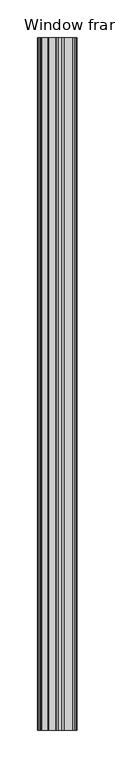
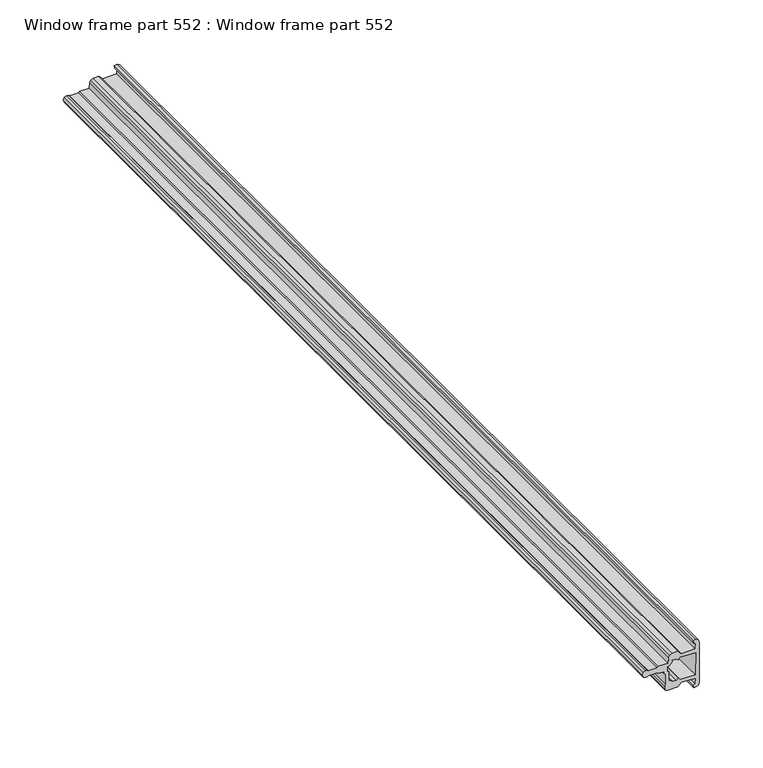
"""IFC4 building model written with IfcOpenShell, lengths in millimetres: proxy geometry, Window frame part 552 : Window frame part 552."""

import ifcopenshell
import ifcopenshell.guid

model = None  # the IFC model being written
_history = None  # IfcOwnerHistory: only IFC2X3 demands one
_inside = {}  # id of a spatial element -> (the spatial element, [elements in it])
_under = {}  # id of a project, library or spatial element -> (it, [spatial elements below it])
_declared = {}  # id of a project -> (the project, [libraries it declares])
_typed = {}  # id of a type object -> (the type object, [elements of that type])
_made_of = {}  # id of a material, layer set ... -> (it, [elements and type objects made of it])


def new_model(schema):
    """Start an empty IFC model of exactly this schema.

    Asked for "IFC4X3", IfcOpenShell would pick the latest addendum, in which some entities
    have other attributes; the version numbers below select the first issue.
    IFC2X3 requires an IfcOwnerHistory on every rooted entity: one is made here for all.
    """
    global model, _history
    if schema == "IFC4X3":
        model = ifcopenshell.file(schema_version=(4, 3, 0, 0))
    else:
        model = ifcopenshell.file(schema=schema)
    _inside.clear()
    _under.clear()
    _declared.clear()
    _typed.clear()
    _made_of.clear()
    _history = None
    if model.schema == "IFC2X3":
        org = make("IfcOrganization", Name="unknown")
        user = make(
            "IfcPersonAndOrganization",
            ThePerson=make("IfcPerson", FamilyName="unknown"),
            TheOrganization=org,
        )
        app = make(
            "IfcApplication",
            ApplicationDeveloper=org,
            Version="unknown",
            ApplicationFullName="unknown",
            ApplicationIdentifier="unknown",
        )
        _history = make(
            "IfcOwnerHistory",
            OwningUser=user,
            OwningApplication=app,
            ChangeAction="ADDED",
            CreationDate=0,
        )
    return model


def make(cls, **values):
    """One entity of the class cls with the attributes given. An attribute that is None is left unset."""
    return model.create_entity(
        cls, **{name: value for name, value in values.items() if value is not None}
    )


def rooted(cls, **values):
    """An entity with a GlobalId (a new one), such as an element, a storey or a relation."""
    return make(cls, GlobalId=ifcopenshell.guid.new(), OwnerHistory=_history, **values)


def si_unit(unit_type, name, prefix=None):
    """IfcSIUnit, for example si_unit("LENGTHUNIT", "METRE", prefix="MILLI")."""
    return make("IfcSIUnit", UnitType=unit_type, Prefix=prefix, Name=name)


def assignment(units):
    """IfcUnitAssignment: the units of a project."""
    return None if units is None else make("IfcUnitAssignment", Units=units)


def point(xyz):
    """IfcCartesianPoint."""
    return None if xyz is None else make("IfcCartesianPoint", Coordinates=xyz)


def direction(xyz):
    """IfcDirection."""
    return None if xyz is None else make("IfcDirection", DirectionRatios=xyz)


def frame(location, z_axis=None, x_axis=None):
    """IfcAxis2Placement3D, a coordinate frame: its origin and axes. An axis left out is left unset."""
    return make(
        "IfcAxis2Placement3D",
        Location=point(location),
        Axis=direction(z_axis),
        RefDirection=direction(x_axis),
    )


def origin():
    """The frame at (0, 0, 0) with its axes left unset."""
    return frame((0.0, 0.0, 0.0))


def place(relative_to, where):
    """IfcLocalPlacement: puts the frame where relative to a parent placement (None: the world)."""
    return make(
        "IfcLocalPlacement", PlacementRelTo=relative_to, RelativePlacement=where
    )


def context(
    kind, dimensions, precision=None, world=None, true_north=None, identifier=None
):
    """IfcGeometricRepresentationContext, for example the 3D "Model" context."""
    return make(
        "IfcGeometricRepresentationContext",
        ContextIdentifier=identifier,
        ContextType=kind,
        CoordinateSpaceDimension=dimensions,
        Precision=precision,
        WorldCoordinateSystem=world,
        TrueNorth=true_north,
    )


def project(units=None, contexts=None):
    """IfcProject with its units and contexts."""
    return rooted(
        "IfcProject",
        Name="project",
        RepresentationContexts=contexts,
        UnitsInContext=assignment(units),
    )


def spatial(cls, under=None, at=None, **own):
    """A site, building, storey or space (cls), placed at a placement, below another one or the project."""
    s = rooted(cls, ObjectPlacement=at, **own)
    if under is not None:
        _under.setdefault(under.id(), (under, []))[1].append(s)
    return s


def polyline(points):
    """IfcPolyline through the points."""
    return make("IfcPolyline", Points=[point(p) for p in points])


def outline(outer, holes=None, kind="AREA"):
    """IfcArbitraryClosedProfileDef: a profile drawn as a closed curve; with holes, ...WithVoids."""
    if holes is None:
        return make("IfcArbitraryClosedProfileDef", ProfileType=kind, OuterCurve=outer)
    return make(
        "IfcArbitraryProfileDefWithVoids",
        ProfileType=kind,
        OuterCurve=outer,
        InnerCurves=holes,
    )


def extrude(swept, where, along, depth):
    """IfcExtrudedAreaSolid: the profile swept, set in the frame where, extruded along a direction by depth."""
    return make(
        "IfcExtrudedAreaSolid",
        SweptArea=swept,
        Position=where,
        ExtrudedDirection=direction(along),
        Depth=depth,
    )


def shape(context_of_items, identifier, shape_type, items):
    """IfcShapeRepresentation: the items that make up one representation, for example the "Body"."""
    return make(
        "IfcShapeRepresentation",
        ContextOfItems=context_of_items,
        RepresentationIdentifier=identifier,
        RepresentationType=shape_type,
        Items=items,
    )


def source(mapping_origin, context_of_items, identifier, shape_type, items):
    """IfcRepresentationMap: a shape defined once, which mapped items show again and again."""
    return make(
        "IfcRepresentationMap",
        MappingOrigin=mapping_origin,
        MappedRepresentation=shape(context_of_items, identifier, shape_type, items),
    )


def transform(
    local_origin,
    x_axis=None,
    y_axis=None,
    z_axis=None,
    scale=None,
    scale2=None,
    scale3=None,
    uniform=True,
):
    """IfcCartesianTransformationOperator3D, or its non-uniform kind. x_axis, y_axis, z_axis: its Axis1, 2, 3."""
    if uniform:
        return make(
            "IfcCartesianTransformationOperator3D",
            Axis1=direction(x_axis),
            Axis2=direction(y_axis),
            LocalOrigin=point(local_origin),
            Scale=scale,
            Axis3=direction(z_axis),
        )
    return make(
        "IfcCartesianTransformationOperator3DnonUniform",
        Axis1=direction(x_axis),
        Axis2=direction(y_axis),
        LocalOrigin=point(local_origin),
        Scale=scale,
        Axis3=direction(z_axis),
        Scale2=scale2,
        Scale3=scale3,
    )


def mapped(mapping_source, mapping_target):
    """IfcMappedItem: shows the shape of a source again, moved by a transform."""
    return make(
        "IfcMappedItem", MappingSource=mapping_source, MappingTarget=mapping_target
    )


def made_of(thing, what):
    """Note that an element or type object is made of a material, layer set ...; save() writes the relation."""
    if what is not None:
        _made_of.setdefault(what.id(), (what, []))[1].append(thing)
    return thing


def element(
    cls,
    number,
    at=None,
    inside=None,
    cuts=None,
    type_object=None,
    material=None,
    context=None,
    identifier="Body",
    shape_type=None,
    held_by="IfcProductDefinitionShape",
    body=None,
    shapes=None,
    **own,
):
    """One element of the class cls, such as IfcWall. Its Tag is "e" and its number.

    at: its placement. inside: the storey or other place that contains it. cuts: it is an
    opening in that element (IfcRelVoidsElement). A single representation is given by context,
    identifier, shape_type and body (its items); several are given by shapes. held_by: the class
    of the entity that holds the representations. save() writes the other relations.
    """
    e = rooted(cls, Tag="e%d" % number, ObjectPlacement=at, **own)
    if body is not None:
        shapes = [shape(context, identifier, shape_type, body)]
    if shapes is not None:
        e.Representation = make(held_by, Representations=shapes)
    if inside is not None:
        _inside.setdefault(inside.id(), (inside, []))[1].append(e)
    if cuts is not None:
        rooted(
            "IfcRelVoidsElement", RelatingBuildingElement=cuts, RelatedOpeningElement=e
        )
    if type_object is not None:
        _typed.setdefault(type_object.id(), (type_object, []))[1].append(e)
    return made_of(e, material)


def aggregate(whole, parts):
    """IfcRelAggregates: a whole, such as a stair, and the parts it consists of."""
    return rooted("IfcRelAggregates", RelatingObject=whole, RelatedObjects=parts)


def save(model, path):
    """Write the relations noted so far, then the file.

    IfcRelAggregates (storeys below a building ...), IfcRelContainedInSpatialStructure (elements
    in a storey), IfcRelDefinesByType, IfcRelAssociatesMaterial and IfcRelDeclares: one each for
    every whole, place, type object, material and project.
    """
    for whole, parts in _under.values():
        aggregate(whole, parts)
    for where, things in _inside.values():
        rooted(
            "IfcRelContainedInSpatialStructure",
            RelatedElements=things,
            RelatingStructure=where,
        )
    for kind, things in _typed.values():
        rooted("IfcRelDefinesByType", RelatedObjects=things, RelatingType=kind)
    for what, things in _made_of.values():
        rooted("IfcRelAssociatesMaterial", RelatedObjects=things, RelatingMaterial=what)
    for by, libraries in _declared.values():
        rooted("IfcRelDeclares", RelatingContext=by, RelatedDefinitions=libraries)
    model.write(path)


def window_frame_part_552_window_frame_part_552_9450afde(model_context):
    return source(origin(), model_context, "Body", "SweptSolid", [
        extrude(outline(polyline([(2929.12165, 37621.7242597), (2927.1595, 37621.7242597), (2925.5847, 37623.2564062), (2916.4996468, 37623.2564062), (2915.2164313, 37621.9731907), (2912.2237639, 37621.9731907), (2911.211136, 37622.6541957), (2910.2812, 37624.8992597), (2910.2812, 37634.0199913), (2913.4054, 37637.354612), (2912.8974, 37650.6040597), (2907.665, 37650.0960597), (2907.157, 37648.0640597), (2904.49, 37648.5720597), (2904.49, 37650.6040597), (2905.419936, 37652.8491237), (2907.665, 37653.7790597), (2947.035, 37653.7790597), (2949.280064, 37652.8491237), (2950.21, 37650.6040597), (2949.702, 37648.0640597), (2947.035, 37648.5720597), (2946.527, 37650.6040597), (2941.2946, 37650.0960597), (2941.2946, 37637.354612), (2944.4188, 37634.0199913), (2944.4188, 37628.9378597), (2943.488864, 37626.6927957), (2941.2438, 37625.7628597), (2936.17015, 37625.2548597), (2936.17015, 37616.4737708), (2935.21765, 37615.5212708), (2935.21765, 37607.2662708), (2936.17015, 37606.3137708), (2936.17015, 37604.7897708), (2935.212316, 37602.4773549), (2932.8999, 37601.5195208), (2930.5874841, 37602.4773549), (2929.62965, 37604.7897708), (2929.62965, 37606.312509), (2930.58215, 37607.265009), (2930.58215, 37615.5212708), (2929.62965, 37616.4737708), (2929.12165, 37621.7242597)]), holes=[polyline([(2917.2345686, 37629.1241263), (2919.0306194, 37627.3280755), (2919.3601674, 37626.4314062), (2926.8743688, 37626.4314062), (2928.4491688, 37624.8992597), (2932.99515, 37624.8992597), (2932.99515, 37626.3216597), (2936.17015, 37629.4966597), (2937.4654316, 37629.1241263), (2937.4654316, 37632.7117579), (2935.6682633, 37634.5089263), (2938.1196, 37636.2575933), (2937.6116, 37650.6040597), (2916.5804, 37650.0960597), (2916.6779785, 37636.3585168), (2919.0306194, 37634.5100439), (2917.2345686, 37632.7139931), (2917.2345686, 37629.1241263)])]), frame((0.0, -19576.8264269, 0.0), z_axis=(0.0, 1.0, 0.0), x_axis=(0.0, 0.0, 1.0)), (0.0, 0.0, 1.0), 914.4),
    ])


if __name__ == "__main__":
    model = new_model("IFC4")
    model_context = context("Model", 3, world=origin())
    ifc_project = project(units=[si_unit("LENGTHUNIT", "METRE", prefix="MILLI")], contexts=[model_context])
    site = spatial("IfcSite", under=ifc_project)
    building = spatial("IfcBuilding", under=site)
    placement = place(None, origin())
    window_frame_part_552_window_frame_part_552_shape = window_frame_part_552_window_frame_part_552_9450afde(model_context)
    element("IfcBuildingElementProxy", 1, Name="Window frame part 552 : Window frame part 552", ObjectType="Window frame part 552 : Window frame part 552", at=placement, inside=building, context=model_context, shape_type="MappedRepresentation", body=[
        mapped(window_frame_part_552_window_frame_part_552_shape, transform((0.0, 0.0, 0.0), x_axis=(1.0, 0.0, 0.0), y_axis=(0.0, 1.0, 0.0), z_axis=(0.0, 0.0, 1.0))),
    ])
    save(model, "model.ifc")
